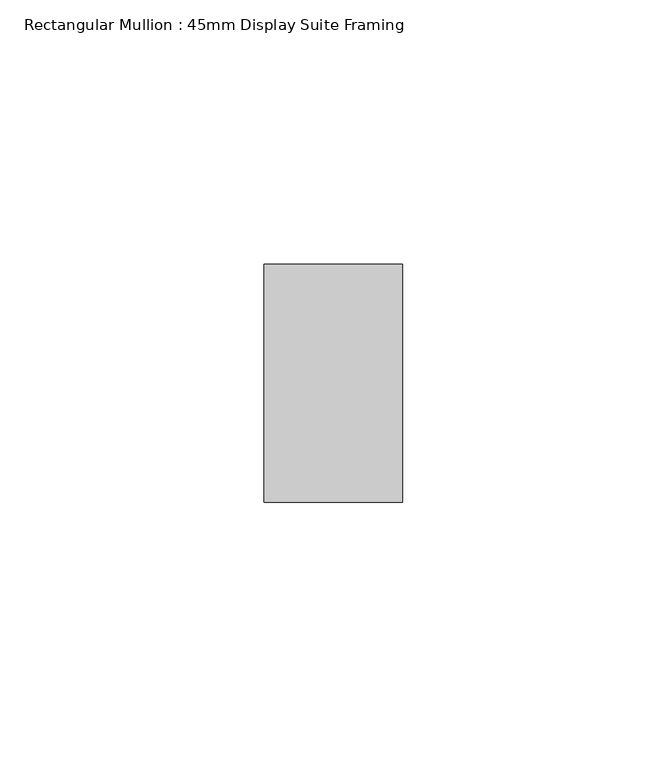
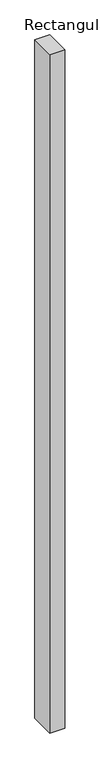
"""IFC4 building model written with IfcOpenShell, lengths in millimetres: member geometry, Rectangular Mullion : 45mm Display Suite Framing."""

from ifc_helpers import new_model, si_unit, frame, origin, place, context, project, spatial, polyline, outline, extrude, source, transform, mapped, element, save


def rectangular_mullion_45mm_display_suite_framing_97c7828a(model_context):
    return source(origin(), model_context, "Body", "SweptSolid", [
        extrude(outline(polyline([(0.0, 22.5), (0.0, -22.5), (-26.2, -22.5), (-26.2, 22.5), (0.0, 22.5)])), frame((0.0, 0.0, -1260.7), z_axis=(0.0, 0.0, 1.0), x_axis=(1.0, 0.0, 0.0)), (0.0, 0.0, 1.0), 1260.7),
    ])


if __name__ == "__main__":
    model = new_model("IFC4")
    model_context = context("Model", 3, world=origin())
    ifc_project = project(units=[si_unit("LENGTHUNIT", "METRE", prefix="MILLI")], contexts=[model_context])
    site = spatial("IfcSite", under=ifc_project)
    building = spatial("IfcBuilding", under=site)
    placement = place(None, origin())
    rectangular_mullion_45mm_display_suite_framing_shape = rectangular_mullion_45mm_display_suite_framing_97c7828a(model_context)
    element("IfcMember", 1, ObjectType="Rectangular Mullion : 45mm Display Suite Framing", at=placement, inside=building, context=model_context, shape_type="MappedRepresentation", body=[
        mapped(rectangular_mullion_45mm_display_suite_framing_shape, transform((0.0, 0.0, 0.0), x_axis=(1.0, 0.0, 0.0), y_axis=(0.0, 1.0, 0.0), z_axis=(0.0, 0.0, 1.0))),
    ])
    save(model, "model.ifc")
